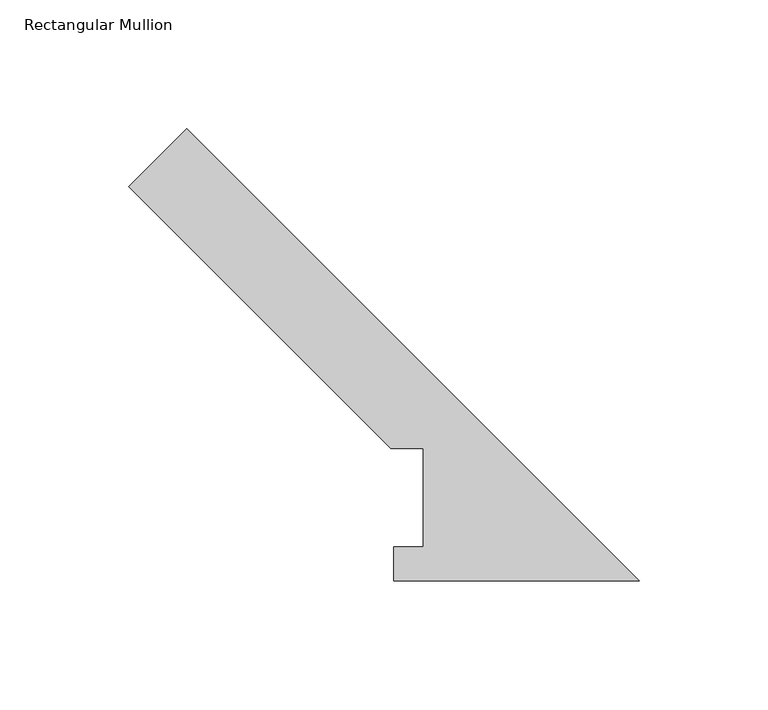
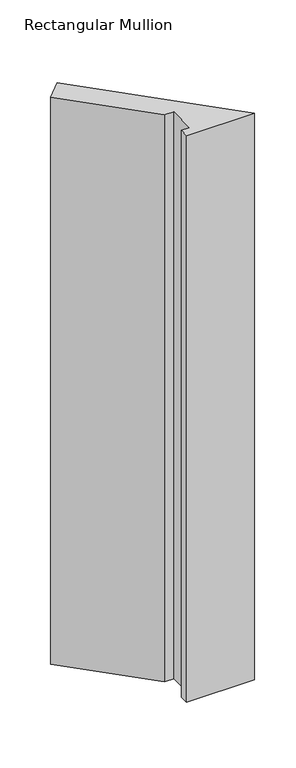
"""IFC4 building model written with IfcOpenShell, lengths in millimetres: member geometry, Rectangular Mullion."""

from ifc_helpers import new_model, si_unit, frame, origin, place, context, project, spatial, polyline, outline, extrude, source, transform, mapped, element, save


def rectangular_mullion_83f0693c(model_context):
    return source(origin(), model_context, "Body", "SweptSolid", [
        extrude(outline(polyline([(-197.7516598, 152.865349), (-175.3010194, 175.3159893), (0.0, 0.0149699), (-95.1734192, 0.0149699), (-95.1734192, 13.1975699), (-83.5816233, 13.1975699), (-83.5816233, 51.3953125), (-96.2816233, 51.3953125), (-197.7516598, 152.865349)])), frame((0.0, 0.0, -838.2), z_axis=(0.0, 0.0, 1.0), x_axis=(1.0, 0.0, 0.0)), (0.0, 0.0, 1.0), 838.2),
    ])


if __name__ == "__main__":
    model = new_model("IFC4")
    model_context = context("Model", 3, world=origin())
    ifc_project = project(units=[si_unit("LENGTHUNIT", "METRE", prefix="MILLI")], contexts=[model_context])
    site = spatial("IfcSite", under=ifc_project)
    building = spatial("IfcBuilding", under=site)
    placement = place(None, origin())
    rectangular_mullion_shape = rectangular_mullion_83f0693c(model_context)
    element("IfcMember", 1, ObjectType="Rectangular Mullion", at=placement, inside=building, context=model_context, shape_type="MappedRepresentation", body=[
        mapped(rectangular_mullion_shape, transform((0.0, 0.0, 0.0), x_axis=(1.0, 0.0, 0.0), y_axis=(0.0, 1.0, 0.0), z_axis=(0.0, 0.0, 1.0))),
    ])
    save(model, "model.ifc")
